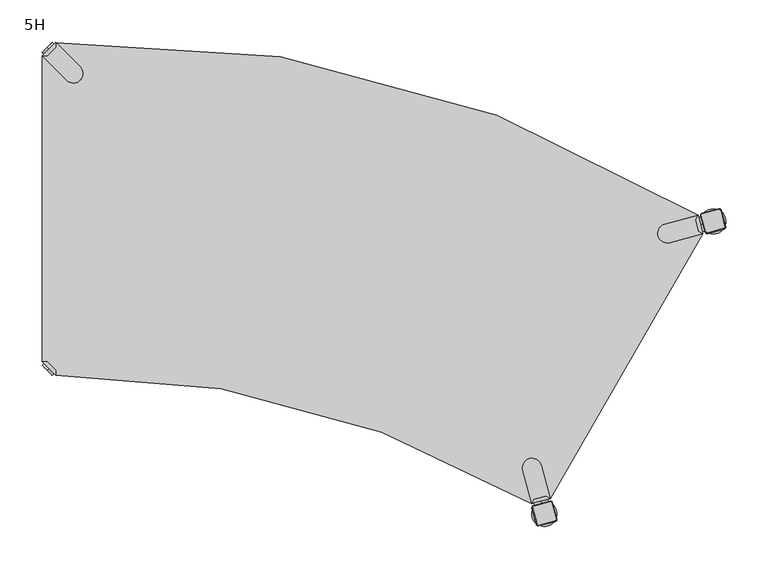
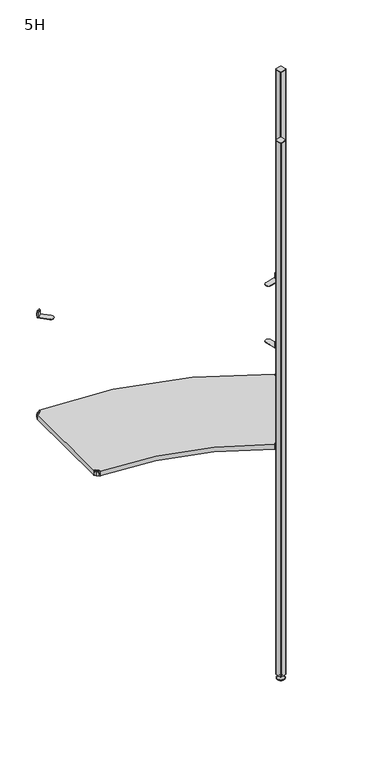
"""IFC4 building model written with IfcOpenShell, lengths in millimetres: furniture geometry, 5H."""

from ifc_helpers import new_model, si_unit, point, frame, frame_2d, origin, place, context, project, spatial, polyline, circle_curve, trimmed, segment, composite_curve, outline, extrude, source, transform, mapped, element, save
from ifc_brep_helpers import plane_surface, cylinder_surface, revolved_surface, advanced_brep


def furniture_5h_41b3b615(model_context):
    return source(origin(), model_context, "Body", "SolidModel", [
        advanced_brep(
        [(784.3869091, -207.1899268, 0.0), (797.3772901, -214.6899268, 0.0), (810.3676712, -222.1899268, 0.0), (784.3869091, -207.1899268, 2.0), (810.3676712, -222.1899268, 2.0), (790.4490869, -210.6899268, 9.0), (804.3054934, -218.6899268, 9.0), (793.9131885, -212.6899268, 9.0), (800.8413918, -216.6899268, 9.0), (793.9131885, -212.6899268, 15.0), (800.8413918, -216.6899268, 15.0), (797.3772901, -214.6899268, 15.0)],
        [
            (0, 1),
            (1, 2),
            (2, 0, circle_curve(frame((797.3772901, -214.6899268, 0.0), z_axis=(0.0, 0.0, -1.0), x_axis=(0.8660254037844367, -0.5000000000000036, 0.0)), 15.0)),
            (0, 2, circle_curve(frame((797.3772901, -214.6899268, 0.0), z_axis=(0.0, 0.0, -1.0), x_axis=(0.8660254037844367, -0.5000000000000036, 0.0)), 15.0)),
            (3, 0),
            (2, 4),
            (4, 3, circle_curve(frame((797.3772901, -214.6899268, 2.0), z_axis=(0.0, 0.0, -1.0), x_axis=(0.8660254037844367, -0.5000000000000036, 0.0)), 15.0)),
            (3, 4, circle_curve(frame((797.3772901, -214.6899268, 2.0), z_axis=(0.0, 0.0, -1.0), x_axis=(0.8660254037844367, -0.5000000000000036, 0.0)), 15.0)),
            (5, 3),
            (4, 6),
            (6, 5, circle_curve(frame((797.3772901, -214.6899268, 9.0), z_axis=(0.0, 0.0, -1.0), x_axis=(0.8660254037844367, -0.5000000000000036, 0.0)), 8.0)),
            (5, 6, circle_curve(frame((797.3772901, -214.6899268, 9.0), z_axis=(0.0, 0.0, -1.0), x_axis=(0.8660254037844367, -0.5000000000000036, 0.0)), 8.0)),
            (7, 5),
            (6, 8),
            (8, 7, circle_curve(frame((797.3772901, -214.6899268, 9.0), z_axis=(0.0, 0.0, -1.0), x_axis=(0.8660254037844367, -0.5000000000000036, 0.0)), 4.0)),
            (7, 8, circle_curve(frame((797.3772901, -214.6899268, 9.0), z_axis=(0.0, 0.0, -1.0), x_axis=(0.8660254037844367, -0.5000000000000036, 0.0)), 4.0)),
            (9, 7),
            (8, 10),
            (10, 9, circle_curve(frame((797.3772901, -214.6899268, 15.0), z_axis=(0.0, 0.0, -1.0), x_axis=(0.8660254037844367, -0.5000000000000036, 0.0)), 4.0)),
            (9, 10, circle_curve(frame((797.3772901, -214.6899268, 15.0), z_axis=(0.0, 0.0, -1.0), x_axis=(0.8660254037844367, -0.5000000000000036, 0.0)), 4.0)),
            (11, 9),
            (10, 11),
        ],
        [
            plane_surface(frame((797.3772901, -214.6899268, 0.0), z_axis=(0.0, 0.0, -1.0000000000000002), x_axis=(0.8660254037844367, -0.5000000000000036, 0.0))),
            cylinder_surface(frame((797.3772901, -214.6899268, 18.6083303), z_axis=(0.0, 0.0, 1.0), x_axis=(0.8660254037844367, -0.5000000000000036, 0.0)), 15.0),
            revolved_surface(polyline([(810.3676712, -222.1899268, 2.0), (804.3054934, -218.6899268, 9.0)]), (797.3772901, -214.6899268, 18.6083303), (0.0, 0.0, 1.0)),
            plane_surface(frame((797.3772901, -214.6899268, 9.0), z_axis=(0.0, 0.0, 1.0000000000000002), x_axis=(0.8660254037844367, -0.5000000000000036, 0.0))),
            cylinder_surface(frame((797.3772901, -214.6899268, 18.6083303), z_axis=(0.0, 0.0, 1.0), x_axis=(0.8660254037844367, -0.5000000000000036, 0.0)), 4.0),
            plane_surface(frame((797.3772901, -214.6899268, 15.0), z_axis=(0.0, 0.0, 1.0000000000000002), x_axis=(0.8660254037844367, -0.5000000000000036, 0.0))),
        ],
        [
            (0, [[1, 2, 3]]),
            (0, [[-2, -1, 4]]),
            (1, [[5, -3, 6, 7]]),
            (1, [[-6, -4, -5, 8]]),
            (2, [[9, -7, 10, 11]]),
            (2, [[-10, -8, -9, 12]]),
            (3, [[13, -11, 14, 15]]),
            (3, [[-14, -12, -13, 16]]),
            (4, [[17, -15, 18, 19]]),
            (4, [[-18, -16, -17, 20]]),
            (5, [[21, -19, 22]]),
            (5, [[-22, -20, -21]]),
        ],
    ),
        advanced_brep(
        [(788.6641484, -227.3773679, 2117.0), (790.7462147, -228.5794494, 2117.0), (810.0647312, -223.4030685, 2117.0), (811.2668128, -221.3210022, 2117.0), (806.0904319, -202.0024857, 2117.0), (804.0083656, -200.8004041, 2117.0), (784.6898491, -205.976785, 2117.0), (783.4877675, -208.0588513, 2117.0), (787.8914078, -227.5844231, 2115.0), (782.7150269, -208.2659066, 2115.0), (784.4827938, -205.2040444, 2115.0), (803.8013103, -200.0276635, 2115.0), (806.8631725, -201.7954304, 2115.0), (812.0395534, -221.113947, 2115.0), (810.2717865, -224.1758091, 2115.0), (790.9532699, -229.35219, 2115.0)],
        [
            (0, 1, circle_curve(frame((790.3062223, -226.9373755, 2117.0), z_axis=(0.0, 0.0, 1.0), x_axis=(0.2588190451025146, -0.9659258262890701, 0.0)), 1.7)),
            (1, 2),
            (2, 3, circle_curve(frame((809.6247389, -221.7609946, 2117.0), z_axis=(0.0, 0.0, 1.0), x_axis=(0.9659258262890662, 0.25881904510252834, 0.0)), 1.7)),
            (3, 4),
            (4, 5, circle_curve(frame((804.448358, -202.4424781, 2117.0), z_axis=(0.0, 0.0, 1.0), x_axis=(-0.2588190451025191, 0.9659258262890689, 0.0)), 1.7)),
            (5, 6),
            (6, 7, circle_curve(frame((785.1298414, -207.618859, 2117.0), z_axis=(0.0, 0.0, 1.0), x_axis=(-0.9659258262890716, -0.25881904510250847, 0.0)), 1.7)),
            (7, 0),
            (8, 9),
            (9, 10, circle_curve(frame((785.1298414, -207.618859, 2115.0), z_axis=(0.0, 0.0, -1.0), x_axis=(-0.9659258262890716, -0.25881904510250847, 0.0)), 2.5)),
            (10, 11),
            (11, 12, circle_curve(frame((804.448358, -202.4424781, 2115.0), z_axis=(0.0, 0.0, -1.0), x_axis=(-0.2588190451025191, 0.9659258262890689, 0.0)), 2.5)),
            (12, 13),
            (13, 14, circle_curve(frame((809.6247389, -221.7609946, 2115.0), z_axis=(0.0, 0.0, -1.0), x_axis=(0.9659258262890662, 0.25881904510252834, 0.0)), 2.5)),
            (14, 15),
            (15, 8, circle_curve(frame((790.3062223, -226.9373755, 2115.0), z_axis=(0.0, 0.0, -1.0), x_axis=(0.2588190451025146, -0.9659258262890701, 0.0)), 2.5)),
            (8, 0),
            (7, 9),
            (6, 10),
            (5, 11),
            (4, 12),
            (3, 13),
            (2, 14),
            (1, 15),
        ],
        [
            plane_surface(frame((797.3772901, -214.6899268, 2117.0), z_axis=(0.0, 0.0, 1.0000000000000002), x_axis=(-0.9659258262890698, -0.2588190451025156, 0.0))),
            plane_surface(frame((797.3772901, -214.6899268, 2115.0), z_axis=(0.0, 0.0, -1.0000000000000002), x_axis=(-0.9659258262890698, -0.2588190451025156, 0.0))),
            plane_surface(frame((785.3032173, -217.9251648, 2115.0), z_axis=(-0.8968396148335165, -0.24030745053486685, 0.37139067635402817), x_axis=(-0.2588190451025077, 0.965925826289072, 0.0))),
            revolved_surface(polyline([(783.48776754, -208.05885136799998, 2117.0), (782.7150269, -208.2659066, 2115.0)]), (785.1298414, -207.618859, 2121.25), (0.0, 0.0, -1.0)),
            plane_surface(frame((794.1420521, -202.6158539, 2115.0), z_axis=(-0.24030745053487026, 0.8968396148335195, 0.3713906763540188), x_axis=(0.9659258262890711, 0.2588190451025103, 0.0))),
            revolved_surface(polyline([(804.008365564, -200.800404172, 2117.0), (803.8013103, -200.0276635, 2115.0)]), (804.448358, -202.4424781, 2121.25), (0.0, 0.0, -1.0)),
            plane_surface(frame((809.451363, -211.4546887, 2115.0), z_axis=(0.8968396148335325, 0.24030745053488403, 0.37139067635397877), x_axis=(0.2588190451025259, -0.9659258262890671, 0.0))),
            revolved_surface(polyline([(811.26681276, -221.321002232, 2117.0), (812.0395534, -221.113947, 2115.0)]), (809.6247389, -221.7609946, 2121.25), (0.0, 0.0, -1.0)),
            plane_surface(frame((800.6125282, -226.7639996, 2115.0), z_axis=(0.24030745053489366, -0.8968396148335281, 0.37139067635398293), x_axis=(-0.965925826289067, -0.2588190451025263, 0.0))),
            revolved_surface(polyline([(790.746214668, -228.57944936, 2117.0), (790.9532699, -229.35219, 2115.0)]), (790.3062223, -226.9373755, 2121.25), (0.0, 0.0, -1.0)),
        ],
        [
            (0, [[1, 2, 3, 4, 5, 6, 7, 8]]),
            (1, [[9, 10, 11, 12, 13, 14, 15, 16]]),
            (2, [[17, -8, 18, -9]]),
            (3, [[-18, -7, 19, -10]]),
            (4, [[-19, -6, 20, -11]]),
            (5, [[-20, -5, 21, -12]]),
            (6, [[-21, -4, 22, -13]]),
            (7, [[-22, -3, 23, -14]]),
            (8, [[-23, -2, 24, -15]]),
            (9, [[-24, -1, -17, -16]]),
        ],
    ),
        extrude(outline(composite_curve([segment(polyline([(810.2717865, -224.1758091), (790.9532699, -229.35219)]), True, "CONTINUOUS"), segment(trimmed(circle_curve(frame_2d((790.3062223, -226.9373755)), 2.5), [point((790.9532699, -229.35219))], [point((787.8914078, -227.5844231))], False, "CARTESIAN"), True, "CONTINUOUS"), segment(polyline([(787.8914078, -227.5844231), (782.7150269, -208.2659066)]), True, "CONTINUOUS"), segment(trimmed(circle_curve(frame_2d((785.1298414, -207.618859)), 2.5), [point((782.7150269, -208.2659066))], [point((784.4827938, -205.2040444))], False, "CARTESIAN"), True, "CONTINUOUS"), segment(polyline([(784.4827938, -205.2040444), (803.8013103, -200.0276635)]), True, "CONTINUOUS"), segment(trimmed(circle_curve(frame_2d((804.448358, -202.4424781)), 2.5), [point((803.8013103, -200.0276635))], [point((806.8631725, -201.7954304))], False, "CARTESIAN"), True, "CONTINUOUS"), segment(polyline([(806.8631725, -201.7954304), (812.0395534, -221.113947)]), True, "CONTINUOUS"), segment(trimmed(circle_curve(frame_2d((809.6247389, -221.7609946)), 2.5), [point((812.0395534, -221.113947))], [point((810.2717865, -224.1758091))], False, "CARTESIAN"), True, "CONTINUOUS")], self_intersect=False)), frame((0.0, 0.0, 15.0), z_axis=(0.0, 0.0, 1.0), x_axis=(1.0, 0.0, 0.0)), (0.0, 0.0, 1.0), 2100.0),
        advanced_brep(
        [(584.4679145, -553.4597829, 0.0), (610.4486766, -568.4597829, 0.0), (597.4582955, -560.9597829, 0.0), (584.4679145, -553.4597829, 2.0), (610.4486766, -568.4597829, 2.0), (590.5300923, -556.9597829, 9.0), (604.3864987, -564.9597829, 9.0), (593.9941939, -558.9597829, 9.0), (600.9223971, -562.9597829, 9.0), (593.9941939, -558.9597829, 15.0), (600.9223971, -562.9597829, 15.0), (597.4582955, -560.9597829, 15.0)],
        [
            (0, 1, circle_curve(frame((597.4582955, -560.9597829, 0.0), z_axis=(0.0, 0.0, -1.0), x_axis=(0.8660254037844407, -0.49999999999999645, 0.0)), 15.0)),
            (1, 2),
            (2, 0),
            (1, 0, circle_curve(frame((597.4582955, -560.9597829, 0.0), z_axis=(0.0, 0.0, -1.0), x_axis=(0.8660254037844407, -0.49999999999999645, 0.0)), 15.0)),
            (3, 4, circle_curve(frame((597.4582955, -560.9597829, 2.0), z_axis=(0.0, 0.0, -1.0), x_axis=(0.8660254037844407, -0.49999999999999645, 0.0)), 15.0)),
            (4, 1),
            (0, 3),
            (4, 3, circle_curve(frame((597.4582955, -560.9597829, 2.0), z_axis=(0.0, 0.0, -1.0), x_axis=(0.8660254037844407, -0.49999999999999645, 0.0)), 15.0)),
            (5, 6, circle_curve(frame((597.4582955, -560.9597829, 9.0), z_axis=(0.0, 0.0, -1.0), x_axis=(0.8660254037844407, -0.49999999999999645, 0.0)), 8.0)),
            (6, 4),
            (3, 5),
            (6, 5, circle_curve(frame((597.4582955, -560.9597829, 9.0), z_axis=(0.0, 0.0, -1.0), x_axis=(0.8660254037844407, -0.49999999999999645, 0.0)), 8.0)),
            (7, 8, circle_curve(frame((597.4582955, -560.9597829, 9.0), z_axis=(0.0, 0.0, -1.0), x_axis=(0.8660254037844407, -0.49999999999999645, 0.0)), 4.0)),
            (8, 6),
            (5, 7),
            (8, 7, circle_curve(frame((597.4582955, -560.9597829, 9.0), z_axis=(0.0, 0.0, -1.0), x_axis=(0.8660254037844407, -0.49999999999999645, 0.0)), 4.0)),
            (9, 10, circle_curve(frame((597.4582955, -560.9597829, 15.0), z_axis=(0.0, 0.0, -1.0), x_axis=(0.8660254037844407, -0.49999999999999645, 0.0)), 4.0)),
            (10, 8),
            (7, 9),
            (10, 9, circle_curve(frame((597.4582955, -560.9597829, 15.0), z_axis=(0.0, 0.0, -1.0), x_axis=(0.8660254037844407, -0.49999999999999645, 0.0)), 4.0)),
            (11, 10),
            (9, 11),
        ],
        [
            plane_surface(frame((597.4582955, -560.9597829, 0.0), z_axis=(0.0, 0.0, -1.0), x_axis=(0.8660254037844407, -0.49999999999999645, 0.0))),
            cylinder_surface(frame((597.4582955, -560.9597829, 18.6083303), z_axis=(0.0, 0.0, 1.0), x_axis=(0.8660254037844407, -0.49999999999999645, 0.0)), 15.0),
            revolved_surface(polyline([(610.4486766, -568.4597829, 2.0), (604.3864987, -564.9597829, 9.0)]), (597.4582955, -560.9597829, 18.6083303), (0.0, 0.0, 1.0)),
            plane_surface(frame((597.4582955, -560.9597829, 9.0), z_axis=(0.0, 0.0, 1.0), x_axis=(0.8660254037844407, -0.49999999999999645, 0.0))),
            cylinder_surface(frame((597.4582955, -560.9597829, 18.6083303), z_axis=(0.0, 0.0, 1.0), x_axis=(0.8660254037844407, -0.49999999999999645, 0.0)), 4.0),
            plane_surface(frame((597.4582955, -560.9597829, 15.0), z_axis=(0.0, 0.0, 1.0), x_axis=(0.8660254037844407, -0.49999999999999645, 0.0))),
        ],
        [
            (0, [[1, 2, 3]]),
            (0, [[4, -3, -2]]),
            (1, [[5, 6, -1, 7]]),
            (1, [[8, -7, -4, -6]]),
            (2, [[9, 10, -5, 11]]),
            (2, [[12, -11, -8, -10]]),
            (3, [[13, 14, -9, 15]]),
            (3, [[16, -15, -12, -14]]),
            (4, [[17, 18, -13, 19]]),
            (4, [[20, -19, -16, -18]]),
            (5, [[21, -17, 22]]),
            (5, [[-22, -20, -21]]),
        ],
    ),
        advanced_brep(
        [(604.0893709, -547.0702603, 2117.0), (584.7708544, -552.2466412, 2117.0), (583.5687729, -554.3287074, 2117.0), (588.7451538, -573.647224, 2117.0), (590.8272201, -574.8493055, 2117.0), (610.1457366, -569.6729246, 2117.0), (611.3478181, -567.5908583, 2117.0), (606.1714372, -548.2723418, 2117.0), (603.8823157, -546.2975196, 2115.0), (606.9441779, -548.0652865, 2115.0), (612.1205588, -567.3838031, 2115.0), (610.3527918, -570.4456652, 2115.0), (591.0342753, -575.6220462, 2115.0), (587.9724131, -573.8542792, 2115.0), (582.7960322, -554.5357627, 2115.0), (584.5637992, -551.4739005, 2115.0)],
        [
            (0, 1),
            (1, 2, circle_curve(frame((585.2108468, -553.8887151, 2117.0), z_axis=(0.0, 0.0, 1.0), x_axis=(-0.2588190451025332, 0.9659258262890649, 0.0)), 1.7)),
            (2, 3),
            (3, 4, circle_curve(frame((590.3872277, -573.2072316, 2117.0), z_axis=(0.0, 0.0, 1.0), x_axis=(-0.9659258262890679, -0.2588190451025226, 0.0)), 1.7)),
            (4, 5),
            (5, 6, circle_curve(frame((609.7057442, -568.0308507, 2117.0), z_axis=(0.0, 0.0, 1.0), x_axis=(0.25881904510251313, -0.9659258262890702, 0.0)), 1.7)),
            (6, 7),
            (7, 0, circle_curve(frame((604.5293633, -548.7123342, 2117.0), z_axis=(0.0, 0.0, 1.0), x_axis=(0.9659258262890666, 0.25881904510252707, 0.0)), 1.7)),
            (8, 9, circle_curve(frame((604.5293633, -548.7123342, 2115.0), z_axis=(0.0, 0.0, -1.0), x_axis=(0.9659258262890666, 0.25881904510252707, 0.0)), 2.5)),
            (9, 10),
            (10, 11, circle_curve(frame((609.7057442, -568.0308507, 2115.0), z_axis=(0.0, 0.0, -1.0), x_axis=(0.25881904510251313, -0.9659258262890702, 0.0)), 2.5)),
            (11, 12),
            (12, 13, circle_curve(frame((590.3872277, -573.2072316, 2115.0), z_axis=(0.0, 0.0, -1.0), x_axis=(-0.9659258262890679, -0.2588190451025226, 0.0)), 2.5)),
            (13, 14),
            (14, 15, circle_curve(frame((585.2108468, -553.8887151, 2115.0), z_axis=(0.0, 0.0, -1.0), x_axis=(-0.2588190451025332, 0.9659258262890649, 0.0)), 2.5)),
            (15, 8),
            (15, 1),
            (0, 8),
            (14, 2),
            (13, 3),
            (12, 4),
            (11, 5),
            (10, 6),
            (9, 7),
        ],
        [
            plane_surface(frame((597.4582955, -560.9597829, 2117.0), z_axis=(0.0, 0.0, 1.0), x_axis=(-0.2588190451025261, 0.9659258262890669, 0.0))),
            plane_surface(frame((597.4582955, -560.9597829, 2115.0), z_axis=(0.0, 0.0, -1.0), x_axis=(-0.2588190451025261, 0.9659258262890669, 0.0))),
            plane_surface(frame((594.2230575, -548.88571, 2115.0), z_axis=(-0.24030745053489133, 0.8968396148335102, 0.3713906763540281), x_axis=(-0.9659258262890649, -0.258819045102534, 0.0))),
            revolved_surface(polyline([(584.770854432, -552.2466411720001, 2117.0), (584.5637992, -551.4739005, 2115.0)]), (585.2108468, -553.8887151, 2121.25), (0.0, 0.0, -1.0)),
            plane_surface(frame((585.3842227, -564.1950209, 2115.0), z_axis=(-0.8968396148335143, -0.2403074505348897, 0.37139067635401873), x_axis=(0.25881904510253123, -0.9659258262890655, 0.0))),
            revolved_surface(polyline([(588.7451537720001, -573.6472239679999, 2117.0), (587.9724131, -573.8542792, 2115.0)]), (590.3872277, -573.2072316, 2121.25), (0.0, 0.0, -1.0)),
            plane_surface(frame((600.6935336, -573.0338557, 2115.0), z_axis=(0.24030745053488436, -0.8968396148335324, 0.3713906763539787), x_axis=(0.9659258262890698, 0.2588190451025158, 0.0))),
            revolved_surface(polyline([(610.145736568, -569.67292456, 2117.0), (610.3527918, -570.4456652, 2115.0)]), (609.7057442, -568.0308507, 2121.25), (0.0, 0.0, -1.0)),
            plane_surface(frame((609.5323683, -557.7245448, 2115.0), z_axis=(0.8968396148335335, 0.24030745053487376, 0.37139067635398293), x_axis=(-0.2588190451025153, 0.9659258262890699, 0.0))),
            revolved_surface(polyline([(606.171437228, -548.272341764, 2117.0), (606.9441779, -548.0652865, 2115.0)]), (604.5293633, -548.7123342, 2121.25), (0.0, 0.0, -1.0)),
        ],
        [
            (0, [[1, 2, 3, 4, 5, 6, 7, 8]]),
            (1, [[9, 10, 11, 12, 13, 14, 15, 16]]),
            (2, [[-16, 17, -1, 18]]),
            (3, [[-15, 19, -2, -17]]),
            (4, [[-14, 20, -3, -19]]),
            (5, [[-13, 21, -4, -20]]),
            (6, [[-12, 22, -5, -21]]),
            (7, [[-11, 23, -6, -22]]),
            (8, [[-10, 24, -7, -23]]),
            (9, [[-9, -18, -8, -24]]),
        ],
    ),
        extrude(outline(composite_curve([segment(trimmed(circle_curve(frame_2d((609.7057442, -568.0308507)), 2.5), [point((612.1205588, -567.3838031))], [point((610.3527918, -570.4456652))], False, "CARTESIAN"), True, "CONTINUOUS"), segment(polyline([(610.3527918, -570.4456652), (591.0342753, -575.6220462)]), True, "CONTINUOUS"), segment(trimmed(circle_curve(frame_2d((590.3872277, -573.2072316)), 2.5), [point((591.0342753, -575.6220462))], [point((587.9724131, -573.8542792))], False, "CARTESIAN"), True, "CONTINUOUS"), segment(polyline([(587.9724131, -573.8542792), (582.7960322, -554.5357627)]), True, "CONTINUOUS"), segment(trimmed(circle_curve(frame_2d((585.2108468, -553.8887151)), 2.5), [point((582.7960322, -554.5357627))], [point((584.5637992, -551.4739005))], False, "CARTESIAN"), True, "CONTINUOUS"), segment(polyline([(584.5637992, -551.4739005), (603.8823157, -546.2975196)]), True, "CONTINUOUS"), segment(trimmed(circle_curve(frame_2d((604.5293633, -548.7123342)), 2.5), [point((603.8823157, -546.2975196))], [point((606.9441779, -548.0652865))], False, "CARTESIAN"), True, "CONTINUOUS"), segment(polyline([(606.9441779, -548.0652865), (612.1205588, -567.3838031)]), True, "CONTINUOUS")], self_intersect=False)), frame((0.0, 0.0, 15.0), z_axis=(0.0, 0.0, 1.0), x_axis=(1.0, 0.0, 0.0)), (0.0, 0.0, 1.0), 2100.0),
        advanced_brep(
        [(10.9601551, -10.9601551, 898.5), (10.9601551, -10.9601551, 915.5), (10.9601551, -10.9601551, 907.0), (8.8388348, -8.8388348, 898.5), (8.8388348, -8.8388348, 915.5), (8.8388348, -8.8388348, 907.0)],
        [
            (0, 1, circle_curve(frame((10.9601551, -10.9601551, 907.0), z_axis=(0.7071067811865465, -0.7071067811865486, 0.0), x_axis=(0.0, 0.0, 1.0)), 8.5)),
            (1, 2),
            (2, 0),
            (1, 0, circle_curve(frame((10.9601551, -10.9601551, 907.0), z_axis=(0.7071067811865465, -0.7071067811865486, 0.0), x_axis=(0.0, 0.0, 1.0)), 8.5)),
            (3, 4, circle_curve(frame((8.8388348, -8.8388348, 907.0), z_axis=(0.7071067811865465, -0.7071067811865486, 0.0), x_axis=(0.0, 0.0, 1.0)), 8.5)),
            (4, 1),
            (0, 3),
            (4, 3, circle_curve(frame((8.8388348, -8.8388348, 907.0), z_axis=(0.7071067811865465, -0.7071067811865486, 0.0), x_axis=(0.0, 0.0, 1.0)), 8.5)),
            (5, 4),
            (3, 5),
        ],
        [
            plane_surface(frame((10.9601551, -10.9601551, 907.0), z_axis=(0.7071067811865461, -0.707106781186549, 0.0), x_axis=(0.0, 0.0, 1.0))),
            cylinder_surface(frame((8.8388348, -8.8388348, 907.0), z_axis=(-0.7071067811865465, 0.7071067811865486, 0.0), x_axis=(0.0, 0.0, 1.0)), 8.5),
            plane_surface(frame((8.8388348, -8.8388348, 907.0), z_axis=(-0.7071067811865461, 0.707106781186549, 0.0), x_axis=(0.0, 0.0, 1.0))),
        ],
        [
            (0, [[1, 2, 3]]),
            (0, [[4, -3, -2]]),
            (1, [[5, 6, -1, 7]]),
            (1, [[8, -7, -4, -6]]),
            (2, [[9, -5, 10]]),
            (2, [[-10, -8, -9]]),
        ],
    ),
        advanced_brep(
        [(18.9203102, -3.0, 917.0), (3.0, -18.9203102, 917.0), (8.6568542, -18.9203102, 917.0), (18.9203102, -8.6568542, 917.0), (18.9203102, -3.0, 898.0), (18.9203102, -3.0, 897.0), (3.0, -18.9203102, 897.0), (3.0, -18.9203102, 898.0), (8.6568542, -18.9203102, 898.0), (18.9203102, -8.6568542, 898.0), (31.8093975, -47.7297077, 898.0), (47.7297077, -31.8093975, 898.0), (47.7297077, -31.8093975, 897.0), (31.8093975, -47.7297077, 897.0)],
        [
            (0, 1),
            (1, 2),
            (2, 3),
            (3, 0),
            (0, 4),
            (4, 5),
            (5, 6),
            (6, 7),
            (7, 1),
            (2, 8),
            (8, 9),
            (9, 3),
            (9, 4),
            (7, 8),
            (7, 10),
            (10, 11, circle_curve(frame((39.7695526, -39.7695526, 898.0), z_axis=(0.0, 0.0, 1.0), x_axis=(1.0, 0.0, 0.0)), 11.2573593)),
            (11, 4),
            (5, 12),
            (12, 13, circle_curve(frame((39.7695526, -39.7695526, 897.0), z_axis=(0.0, 0.0, -1.0), x_axis=(1.0, 0.0, 0.0)), 11.2573593)),
            (13, 6),
            (13, 10),
            (12, 11),
        ],
        [
            plane_surface(frame((-38.8756299, -60.7959401, 917.0), z_axis=(0.0, 0.0, 1.0), x_axis=(-0.7071067811865556, -0.7071067811865396, 0.0))),
            plane_surface(frame((18.9203102, -3.0, 917.0), z_axis=(-0.7071067811865396, 0.7071067811865556, 0.0), x_axis=(0.0, 0.0, -1.0))),
            plane_surface(frame((8.6568542, -18.9203102, 917.0), z_axis=(0.7071067811865482, -0.7071067811865468, 0.0), x_axis=(0.0, 0.0, -1.0))),
            plane_surface(frame((18.9203102, -8.6568542, 917.0), z_axis=(1.0, 0.0, 0.0), x_axis=(0.0, 0.0, -1.0))),
            plane_surface(frame((3.0, -18.9203102, 917.0), z_axis=(0.0, -1.0, 0.0), x_axis=(0.0, 0.0, -1.0))),
            plane_surface(frame((3.0, -18.9203102, 898.0), z_axis=(0.0, 0.0, 1.0), x_axis=(-0.7071067811865483, -0.7071067811865467, 0.0))),
            plane_surface(frame((3.0, -18.9203102, 897.0), z_axis=(0.0, 0.0, -1.0), x_axis=(0.7071067811865483, 0.7071067811865467, 0.0))),
            plane_surface(frame((3.0, -18.9203102, 898.0), z_axis=(-0.707106781186549, -0.7071067811865461, 0.0), x_axis=(0.0, 0.0, -1.0))),
            cylinder_surface(frame((39.7695526, -39.7695526, 897.0), z_axis=(0.0, 0.0, 1.0), x_axis=(1.0, 0.0, 0.0)), 11.2573593),
            plane_surface(frame((47.7297077, -31.8093975, 898.0), z_axis=(0.7071067811865479, 0.7071067811865472, 0.0), x_axis=(0.0, 0.0, -1.0))),
        ],
        [
            (0, [[1, 2, 3, 4]]),
            (1, [[-1, 5, 6, 7, 8, 9]]),
            (2, [[-3, 10, 11, 12]]),
            (3, [[-4, -12, 13, -5]]),
            (4, [[-2, -9, 14, -10]]),
            (5, [[15, 16, 17, -13, -11, -14]]),
            (6, [[18, 19, 20, -7]]),
            (7, [[-15, -8, -20, 21]]),
            (8, [[-16, -21, -19, 22]]),
            (9, [[-17, -22, -18, -6]]),
        ],
    ),
        advanced_brep(
        [(782.3720337, -218.6097147, 898.5), (782.3720337, -218.6097147, 907.0), (782.3720337, -218.6097147, 915.5), (785.2698111, -217.8332576, 898.5), (785.2698111, -217.8332576, 915.5), (785.2698111, -217.8332576, 907.0)],
        [
            (0, 1),
            (1, 2),
            (2, 0, circle_curve(frame((782.3720337, -218.6097147, 907.0), z_axis=(-0.9659258262890685, -0.25881904510252, 0.0), x_axis=(0.0, 0.0, 1.0)), 8.5)),
            (0, 2, circle_curve(frame((782.3720337, -218.6097147, 907.0), z_axis=(-0.9659258262890685, -0.25881904510252, 0.0), x_axis=(0.0, 0.0, 1.0)), 8.5)),
            (3, 0),
            (2, 4),
            (4, 3, circle_curve(frame((785.2698111, -217.8332576, 907.0), z_axis=(-0.9659258262890685, -0.25881904510252, 0.0), x_axis=(0.0, 0.0, 1.0)), 8.5)),
            (3, 4, circle_curve(frame((785.2698111, -217.8332576, 907.0), z_axis=(-0.9659258262890685, -0.25881904510252, 0.0), x_axis=(0.0, 0.0, 1.0)), 8.5)),
            (5, 3),
            (4, 5),
        ],
        [
            plane_surface(frame((782.3720337, -218.6097147, 907.0), z_axis=(-0.9659258262890684, -0.25881904510252063, 0.0), x_axis=(0.0, 0.0, 1.0))),
            cylinder_surface(frame((785.2698111, -217.8332576, 907.0), z_axis=(0.9659258262890685, 0.25881904510252, 0.0), x_axis=(0.0, 0.0, 1.0)), 8.5),
            plane_surface(frame((785.2698111, -217.8332576, 907.0), z_axis=(0.9659258262890684, 0.25881904510252063, 0.0), x_axis=(0.0, 0.0, 1.0))),
        ],
        [
            (0, [[1, 2, 3]]),
            (0, [[-2, -1, 4]]),
            (1, [[5, -3, 6, 7]]),
            (1, [[-6, -4, -5, 8]]),
            (2, [[9, -7, 10]]),
            (2, [[-10, -8, -9]]),
        ],
    ),
        advanced_brep(
        [(779.4584147, -207.7359406, 917.0), (776.6299875, -212.6349201, 917.0), (780.3866732, -226.6550617, 917.0), (785.2856526, -229.4834888, 917.0), (785.2856526, -229.4834888, 898.0), (785.2856526, -229.4834888, 897.0), (779.4584147, -207.7359406, 897.0), (779.4584147, -207.7359406, 898.0), (776.6299875, -212.6349201, 898.0), (780.3866732, -226.6550617, 898.0), (740.1040458, -218.280912, 898.0), (745.9312838, -240.0284602, 898.0), (745.9312838, -240.0284602, 897.0), (740.1040458, -218.280912, 897.0)],
        [
            (0, 1),
            (1, 2),
            (2, 3),
            (3, 0),
            (3, 4),
            (4, 5),
            (5, 6),
            (6, 7),
            (7, 0),
            (1, 8),
            (8, 9),
            (9, 2),
            (7, 8),
            (9, 4),
            (7, 10),
            (10, 11, circle_curve(frame((743.0176648, -229.1546861, 898.0), z_axis=(0.0, 0.0, 1.0), x_axis=(-0.8660254037844375, 0.5000000000000021, 0.0)), 11.2573593)),
            (11, 4),
            (5, 12),
            (12, 13, circle_curve(frame((743.0176648, -229.1546861, 897.0), z_axis=(0.0, 0.0, -1.0), x_axis=(-0.8660254037844375, 0.5000000000000021, 0.0)), 11.2573593)),
            (13, 6),
            (11, 12),
            (10, 13),
        ],
        [
            plane_surface(frame((800.613197, -286.6866631, 917.0), z_axis=(0.0, 0.0, 1.0), x_axis=(0.25881904510252957, -0.965925826289066, 0.0))),
            plane_surface(frame((779.4584147, -207.7359406, 917.0), z_axis=(0.965925826289066, 0.25881904510252957, 0.0), x_axis=(0.0, 0.0, -1.0))),
            plane_surface(frame((780.3866732, -226.6550617, 917.0), z_axis=(-0.9659258262890692, -0.2588190451025176, 0.0), x_axis=(0.0, 0.0, -1.0))),
            plane_surface(frame((776.6299875, -212.6349201, 917.0), z_axis=(-0.866025403784462, 0.4999999999999597, 0.0), x_axis=(0.0, 0.0, -1.0))),
            plane_surface(frame((785.2856526, -229.4834888, 917.0), z_axis=(-0.4999999999999963, -0.8660254037844408, 0.0), x_axis=(0.0, 0.0, -1.0))),
            plane_surface(frame((785.2856526, -229.4834888, 898.0), z_axis=(0.0, 0.0, 1.0), x_axis=(0.2588190451025197, -0.9659258262890686, 0.0))),
            plane_surface(frame((785.2856526, -229.4834888, 897.0), z_axis=(0.0, 0.0, -1.0), x_axis=(-0.2588190451025197, 0.9659258262890686, 0.0))),
            plane_surface(frame((785.2856526, -229.4834888, 898.0), z_axis=(0.25881904510252063, -0.9659258262890684, 0.0), x_axis=(0.0, 0.0, -1.0))),
            cylinder_surface(frame((743.0176648, -229.1546861, 897.0), z_axis=(0.0, 0.0, 1.0), x_axis=(-0.8660254037844375, 0.5000000000000021, 0.0)), 11.2573593),
            plane_surface(frame((740.1040458, -218.280912, 898.0), z_axis=(-0.2588190451025191, 0.9659258262890689, 0.0), x_axis=(0.0, 0.0, -1.0))),
        ],
        [
            (0, [[1, 2, 3, 4]]),
            (1, [[5, 6, 7, 8, 9, -4]]),
            (2, [[10, 11, 12, -2]]),
            (3, [[-9, 13, -10, -1]]),
            (4, [[-12, 14, -5, -3]]),
            (5, [[-14, -11, -13, 15, 16, 17]]),
            (6, [[-7, 18, 19, 20]]),
            (7, [[21, -18, -6, -17]]),
            (8, [[22, -19, -21, -16]]),
            (9, [[-8, -20, -22, -15]]),
        ],
    ),
        advanced_brep(
        [(593.3443065, -546.0153421, 898.5), (593.3443065, -546.0153421, 915.5), (593.3443065, -546.0153421, 907.0), (594.1207637, -548.9131196, 898.5), (594.1207637, -548.9131196, 915.5), (594.1207637, -548.9131196, 907.0)],
        [
            (0, 1, circle_curve(frame((593.3443065, -546.0153421, 907.0), z_axis=(-0.25881904510252524, 0.9659258262890672, 0.0), x_axis=(0.0, 0.0, 1.0)), 8.5)),
            (1, 2),
            (2, 0),
            (1, 0, circle_curve(frame((593.3443065, -546.0153421, 907.0), z_axis=(-0.25881904510252524, 0.9659258262890672, 0.0), x_axis=(0.0, 0.0, 1.0)), 8.5)),
            (3, 4, circle_curve(frame((594.1207637, -548.9131196, 907.0), z_axis=(-0.25881904510252524, 0.9659258262890672, 0.0), x_axis=(0.0, 0.0, 1.0)), 8.5)),
            (4, 1),
            (0, 3),
            (4, 3, circle_curve(frame((594.1207637, -548.9131196, 907.0), z_axis=(-0.25881904510252524, 0.9659258262890672, 0.0), x_axis=(0.0, 0.0, 1.0)), 8.5)),
            (5, 4),
            (3, 5),
        ],
        [
            plane_surface(frame((593.3443065, -546.0153421, 907.0), z_axis=(-0.2588190451025247, 0.9659258262890673, 0.0), x_axis=(0.0, 0.0, 1.0))),
            cylinder_surface(frame((594.1207637, -548.9131196, 907.0), z_axis=(0.25881904510252524, -0.9659258262890672, 0.0), x_axis=(0.0, 0.0, 1.0)), 8.5),
            plane_surface(frame((594.1207637, -548.9131196, 907.0), z_axis=(0.2588190451025247, -0.9659258262890673, 0.0), x_axis=(0.0, 0.0, 1.0))),
        ],
        [
            (0, [[1, 2, 3]]),
            (0, [[4, -3, -2]]),
            (1, [[5, 6, -1, 7]]),
            (1, [[8, -7, -4, -6]]),
            (2, [[9, -5, 10]]),
            (2, [[-10, -8, -9]]),
        ],
    ),
        advanced_brep(
        [(582.4705324, -548.9289611, 917.0), (604.2180806, -543.1017231, 917.0), (599.3191011, -540.273296, 917.0), (585.2989596, -544.0299816, 917.0), (582.4705324, -548.9289611, 898.0), (582.4705324, -548.9289611, 897.0), (604.2180806, -543.1017231, 897.0), (604.2180806, -543.1017231, 898.0), (599.3191011, -540.273296, 898.0), (585.2989596, -544.0299816, 898.0), (593.6731093, -503.7473542, 898.0), (571.9255611, -509.5745922, 898.0), (571.9255611, -509.5745922, 897.0), (593.6731093, -503.7473542, 897.0)],
        [
            (0, 1),
            (1, 2),
            (2, 3),
            (3, 0),
            (0, 4),
            (4, 5),
            (5, 6),
            (6, 7),
            (7, 1),
            (2, 8),
            (8, 9),
            (9, 3),
            (9, 4),
            (7, 8),
            (7, 10),
            (10, 11, circle_curve(frame((582.7993352, -506.6609732, 898.0), z_axis=(0.0, 0.0, 1.0), x_axis=(-0.8660254037844418, 0.49999999999999467, 0.0)), 11.2573593)),
            (11, 4),
            (5, 12),
            (12, 13, circle_curve(frame((582.7993352, -506.6609732, 897.0), z_axis=(0.0, 0.0, -1.0), x_axis=(-0.8660254037844418, 0.49999999999999467, 0.0)), 11.2573593)),
            (13, 6),
            (13, 10),
            (12, 11),
        ],
        [
            plane_surface(frame((661.4212549, -527.7741788, 917.0), z_axis=(0.0, 0.0, 1.0000000000000002), x_axis=(0.9659258262890698, 0.25881904510251574, 0.0))),
            plane_surface(frame((582.4705324, -548.9289611, 917.0), z_axis=(0.25881904510251574, -0.9659258262890698, 0.0), x_axis=(0.0, 0.0, -1.0))),
            plane_surface(frame((599.3191011, -540.273296, 917.0), z_axis=(-0.25881904510252757, 0.9659258262890665, 0.0), x_axis=(0.0, 0.0, -1.0))),
            plane_surface(frame((585.2989596, -544.0299816, 917.0), z_axis=(-0.8660254037844173, 0.5000000000000371, 0.0), x_axis=(0.0, 0.0, -1.0))),
            plane_surface(frame((604.2180806, -543.1017231, 917.0), z_axis=(0.5000000000000004, 0.8660254037844385, 0.0), x_axis=(0.0, 0.0, -1.0))),
            plane_surface(frame((604.2180806, -543.1017231, 898.0), z_axis=(0.0, 0.0, 1.0), x_axis=(0.9659258262890671, 0.25881904510252546, 0.0))),
            plane_surface(frame((604.2180806, -543.1017231, 897.0), z_axis=(0.0, 0.0, -1.0), x_axis=(-0.9659258262890671, -0.25881904510252546, 0.0))),
            plane_surface(frame((604.2180806, -543.1017231, 898.0), z_axis=(0.9659258262890673, 0.2588190451025247, 0.0), x_axis=(0.0, 0.0, -1.0))),
            cylinder_surface(frame((582.7993352, -506.6609732, 897.0), z_axis=(0.0, 0.0, 1.0), x_axis=(-0.8660254037844418, 0.49999999999999467, 0.0)), 11.2573593),
            plane_surface(frame((571.9255611, -509.5745922, 898.0), z_axis=(-0.9659258262890669, -0.2588190451025262, 0.0), x_axis=(0.0, 0.0, -1.0))),
        ],
        [
            (0, [[1, 2, 3, 4]]),
            (1, [[-1, 5, 6, 7, 8, 9]]),
            (2, [[-3, 10, 11, 12]]),
            (3, [[-4, -12, 13, -5]]),
            (4, [[-2, -9, 14, -10]]),
            (5, [[15, 16, 17, -13, -11, -14]]),
            (6, [[18, 19, 20, -7]]),
            (7, [[-15, -8, -20, 21]]),
            (8, [[-16, -21, -19, 22]]),
            (9, [[-17, -22, -18, -6]]),
        ],
    ),
        advanced_brep(
        [(10.9601551, -389.0398449, 898.5), (10.9601551, -389.0398449, 907.0), (10.9601551, -389.0398449, 915.5), (8.8388348, -391.1611652, 898.5), (8.8388348, -391.1611652, 915.5), (8.8388348, -391.1611652, 907.0)],
        [
            (0, 1),
            (1, 2),
            (2, 0, circle_curve(frame((10.9601551, -389.0398449, 907.0), z_axis=(0.7071067811865509, 0.7071067811865441, 0.0), x_axis=(0.0, 0.0, 1.0)), 8.5)),
            (0, 2, circle_curve(frame((10.9601551, -389.0398449, 907.0), z_axis=(0.7071067811865509, 0.7071067811865441, 0.0), x_axis=(0.0, 0.0, 1.0)), 8.5)),
            (3, 0),
            (2, 4),
            (4, 3, circle_curve(frame((8.8388348, -391.1611652, 907.0), z_axis=(0.7071067811865509, 0.7071067811865441, 0.0), x_axis=(0.0, 0.0, 1.0)), 8.5)),
            (3, 4, circle_curve(frame((8.8388348, -391.1611652, 907.0), z_axis=(0.7071067811865509, 0.7071067811865441, 0.0), x_axis=(0.0, 0.0, 1.0)), 8.5)),
            (5, 3),
            (4, 5),
        ],
        [
            plane_surface(frame((10.9601551, -389.0398449, 907.0), z_axis=(0.7071067811865506, 0.7071067811865446, 0.0), x_axis=(0.0, 0.0, 1.0))),
            cylinder_surface(frame((8.8388348, -391.1611652, 907.0), z_axis=(-0.7071067811865509, -0.7071067811865441, 0.0), x_axis=(0.0, 0.0, 1.0)), 8.5),
            plane_surface(frame((8.8388348, -391.1611652, 907.0), z_axis=(-0.7071067811865506, -0.7071067811865446, 0.0), x_axis=(0.0, 0.0, 1.0))),
        ],
        [
            (0, [[1, 2, 3]]),
            (0, [[-2, -1, 4]]),
            (1, [[5, -3, 6, 7]]),
            (1, [[-6, -4, -5, 8]]),
            (2, [[9, -7, 10]]),
            (2, [[-10, -8, -9]]),
        ],
    ),
        advanced_brep(
        [(18.9203102, -397.0, 917.0), (18.9203102, -391.3431458, 917.0), (8.6568542, -381.0796898, 917.0), (3.0, -381.0796898, 917.0), (3.0, -381.0796898, 898.0), (3.0, -381.0796898, 897.0), (18.9203102, -397.0, 897.0), (18.9203102, -397.0, 898.0), (18.9203102, -391.3431458, 898.0), (8.6568542, -381.0796898, 898.0), (47.7297077, -368.1906025, 898.0), (31.8093975, -352.2702923, 898.0), (31.8093975, -352.2702923, 897.0), (47.7297077, -368.1906025, 897.0)],
        [
            (0, 1),
            (1, 2),
            (2, 3),
            (3, 0),
            (3, 4),
            (4, 5),
            (5, 6),
            (6, 7),
            (7, 0),
            (1, 8),
            (8, 9),
            (9, 2),
            (7, 8),
            (9, 4),
            (7, 10),
            (10, 11, circle_curve(frame((39.7695526, -360.2304474, 898.0), z_axis=(0.0, 0.0, 1.0), x_axis=(1.0, 0.0, 0.0)), 11.2573593)),
            (11, 4),
            (5, 12),
            (12, 13, circle_curve(frame((39.7695526, -360.2304474, 897.0), z_axis=(0.0, 0.0, -1.0), x_axis=(1.0, 0.0, 0.0)), 11.2573593)),
            (13, 6),
            (11, 12),
            (10, 13),
        ],
        [
            plane_surface(frame((-38.8756299, -339.2040599, 917.0), z_axis=(0.0, 0.0, 1.0000000000000002), x_axis=(-0.7071067811865511, 0.707106781186544, 0.0))),
            plane_surface(frame((18.9203102, -397.0, 917.0), z_axis=(-0.707106781186544, -0.7071067811865511, 0.0), x_axis=(0.0, 0.0, -1.0))),
            plane_surface(frame((8.6568542, -381.0796898, 917.0), z_axis=(0.7071067811865527, 0.7071067811865424, 0.0), x_axis=(0.0, 0.0, -1.0))),
            plane_surface(frame((18.9203102, -391.3431458, 917.0), z_axis=(1.0, 0.0, 0.0), x_axis=(0.0, 0.0, -1.0))),
            plane_surface(frame((3.0, -381.0796898, 917.0), z_axis=(0.0, 1.0, 0.0), x_axis=(0.0, 0.0, -1.0))),
            plane_surface(frame((3.0, -381.0796898, 898.0), z_axis=(0.0, 0.0, 1.0), x_axis=(-0.7071067811865439, 0.7071067811865511, 0.0))),
            plane_surface(frame((3.0, -381.0796898, 897.0), z_axis=(0.0, 0.0, -1.0), x_axis=(0.7071067811865439, -0.7071067811865511, 0.0))),
            plane_surface(frame((3.0, -381.0796898, 898.0), z_axis=(-0.7071067811865446, 0.7071067811865506, 0.0), x_axis=(0.0, 0.0, -1.0))),
            cylinder_surface(frame((39.7695526, -360.2304474, 897.0), z_axis=(0.0, 0.0, 1.0), x_axis=(1.0, 0.0, 0.0)), 11.2573593),
            plane_surface(frame((47.7297077, -368.1906025, 898.0), z_axis=(0.7071067811865435, -0.7071067811865517, 0.0), x_axis=(0.0, 0.0, -1.0))),
        ],
        [
            (0, [[1, 2, 3, 4]]),
            (1, [[5, 6, 7, 8, 9, -4]]),
            (2, [[10, 11, 12, -2]]),
            (3, [[-9, 13, -10, -1]]),
            (4, [[-12, 14, -5, -3]]),
            (5, [[-14, -11, -13, 15, 16, 17]]),
            (6, [[-7, 18, 19, 20]]),
            (7, [[21, -18, -6, -17]]),
            (8, [[22, -19, -21, -16]]),
            (9, [[-8, -20, -22, -15]]),
        ],
    ),
        extrude(outline(composite_curve([segment(polyline([(3.0, -381.0796898), (3.0, -18.9203102), (8.6568542, -18.9203102), (18.9203102, -8.6568542), (18.9203102, -2.9913431)]), True, "CONTINUOUS"), segment(trimmed(circle_curve(frame_2d((66.3235275, -1342.1526236)), 1340.0), [point((18.9203102, -2.9913431))], [point((779.4840717, -207.6915012))], False, "CARTESIAN"), True, "CONTINUOUS"), segment(polyline([(779.4840717, -207.6915012), (776.6299875, -212.6349201), (780.3866732, -226.6550617), (785.2835675, -229.4822849), (604.2159955, -543.1005192), (599.3191011, -540.273296), (585.2989596, -544.0299816), (582.4705324, -548.9289611)]), True, "CONTINUOUS"), segment(trimmed(circle_curve(frame_2d((27.3277059, -1486.9675755)), 1090.0), [point((582.4705324, -548.9289611))], [point((18.9203102, -397.0))], True, "CARTESIAN"), True, "CONTINUOUS"), segment(polyline([(18.9203102, -397.0), (18.9203102, -391.3431458), (8.6568542, -381.0796898), (3.0, -381.0796898)]), True, "CONTINUOUS")], self_intersect=False)), frame((0.0, 0.0, 898.0), z_axis=(0.0, 0.0, 1.0), x_axis=(1.0, 0.0, 0.0)), (0.0, 0.0, 1.0), 19.0),
        advanced_brep(
        [(10.9601551, -10.9601551, 1298.5), (10.9601551, -10.9601551, 1315.5), (10.9601551, -10.9601551, 1307.0), (8.8388348, -8.8388348, 1298.5), (8.8388348, -8.8388348, 1315.5), (8.8388348, -8.8388348, 1307.0)],
        [
            (0, 1, circle_curve(frame((10.9601551, -10.9601551, 1307.0), z_axis=(0.7071067811865465, -0.7071067811865486, 0.0), x_axis=(0.0, 0.0, 1.0)), 8.5)),
            (1, 2),
            (2, 0),
            (1, 0, circle_curve(frame((10.9601551, -10.9601551, 1307.0), z_axis=(0.7071067811865465, -0.7071067811865486, 0.0), x_axis=(0.0, 0.0, 1.0)), 8.5)),
            (3, 4, circle_curve(frame((8.8388348, -8.8388348, 1307.0), z_axis=(0.7071067811865465, -0.7071067811865486, 0.0), x_axis=(0.0, 0.0, 1.0)), 8.5)),
            (4, 1),
            (0, 3),
            (4, 3, circle_curve(frame((8.8388348, -8.8388348, 1307.0), z_axis=(0.7071067811865465, -0.7071067811865486, 0.0), x_axis=(0.0, 0.0, 1.0)), 8.5)),
            (5, 4),
            (3, 5),
        ],
        [
            plane_surface(frame((10.9601551, -10.9601551, 1307.0), z_axis=(0.7071067811865461, -0.707106781186549, 0.0), x_axis=(0.0, 0.0, 1.0))),
            cylinder_surface(frame((8.8388348, -8.8388348, 1307.0), z_axis=(-0.7071067811865465, 0.7071067811865486, 0.0), x_axis=(0.0, 0.0, 1.0)), 8.5),
            plane_surface(frame((8.8388348, -8.8388348, 1307.0), z_axis=(-0.7071067811865461, 0.707106781186549, 0.0), x_axis=(0.0, 0.0, 1.0))),
        ],
        [
            (0, [[1, 2, 3]]),
            (0, [[4, -3, -2]]),
            (1, [[5, 6, -1, 7]]),
            (1, [[8, -7, -4, -6]]),
            (2, [[9, -5, 10]]),
            (2, [[-10, -8, -9]]),
        ],
    ),
        advanced_brep(
        [(18.9203102, -3.0, 1317.0), (3.0, -18.9203102, 1317.0), (8.6568542, -18.9203102, 1317.0), (18.9203102, -8.6568542, 1317.0), (18.9203102, -3.0, 1298.0), (18.9203102, -3.0, 1297.0), (3.0, -18.9203102, 1297.0), (3.0, -18.9203102, 1298.0), (8.6568542, -18.9203102, 1298.0), (18.9203102, -8.6568542, 1298.0), (31.8093975, -47.7297077, 1298.0), (47.7297077, -31.8093975, 1298.0), (47.7297077, -31.8093975, 1297.0), (31.8093975, -47.7297077, 1297.0)],
        [
            (0, 1),
            (1, 2),
            (2, 3),
            (3, 0),
            (0, 4),
            (4, 5),
            (5, 6),
            (6, 7),
            (7, 1),
            (2, 8),
            (8, 9),
            (9, 3),
            (9, 4),
            (7, 8),
            (7, 10),
            (10, 11, circle_curve(frame((39.7695526, -39.7695526, 1298.0), z_axis=(0.0, 0.0, 1.0), x_axis=(1.0, 0.0, 0.0)), 11.2573593)),
            (11, 4),
            (5, 12),
            (12, 13, circle_curve(frame((39.7695526, -39.7695526, 1297.0), z_axis=(0.0, 0.0, -1.0), x_axis=(1.0, 0.0, 0.0)), 11.2573593)),
            (13, 6),
            (13, 10),
            (12, 11),
        ],
        [
            plane_surface(frame((-38.8756299, -60.7959401, 1317.0), z_axis=(0.0, 0.0, 1.0), x_axis=(-0.7071067811865556, -0.7071067811865396, 0.0))),
            plane_surface(frame((18.9203102, -3.0, 1317.0), z_axis=(-0.7071067811865396, 0.7071067811865556, 0.0), x_axis=(0.0, 0.0, -1.0))),
            plane_surface(frame((8.6568542, -18.9203102, 1317.0), z_axis=(0.7071067811865482, -0.7071067811865468, 0.0), x_axis=(0.0, 0.0, -1.0))),
            plane_surface(frame((18.9203102, -8.6568542, 1317.0), z_axis=(1.0, 0.0, 0.0), x_axis=(0.0, 0.0, -1.0))),
            plane_surface(frame((3.0, -18.9203102, 1317.0), z_axis=(0.0, -1.0, 0.0), x_axis=(0.0, 0.0, -1.0))),
            plane_surface(frame((3.0, -18.9203102, 1298.0), z_axis=(0.0, 0.0, 1.0), x_axis=(-0.7071067811865483, -0.7071067811865467, 0.0))),
            plane_surface(frame((3.0, -18.9203102, 1297.0), z_axis=(0.0, 0.0, -1.0), x_axis=(0.7071067811865483, 0.7071067811865467, 0.0))),
            plane_surface(frame((3.0, -18.9203102, 1298.0), z_axis=(-0.707106781186549, -0.7071067811865461, 0.0), x_axis=(0.0, 0.0, -1.0))),
            cylinder_surface(frame((39.7695526, -39.7695526, 1297.0), z_axis=(0.0, 0.0, 1.0), x_axis=(1.0, 0.0, 0.0)), 11.2573593),
            plane_surface(frame((47.7297077, -31.8093975, 1298.0), z_axis=(0.7071067811865479, 0.7071067811865472, 0.0), x_axis=(0.0, 0.0, -1.0))),
        ],
        [
            (0, [[1, 2, 3, 4]]),
            (1, [[-1, 5, 6, 7, 8, 9]]),
            (2, [[-3, 10, 11, 12]]),
            (3, [[-4, -12, 13, -5]]),
            (4, [[-2, -9, 14, -10]]),
            (5, [[15, 16, 17, -13, -11, -14]]),
            (6, [[18, 19, 20, -7]]),
            (7, [[-15, -8, -20, 21]]),
            (8, [[-16, -21, -19, 22]]),
            (9, [[-17, -22, -18, -6]]),
        ],
    ),
        advanced_brep(
        [(782.3720337, -218.6097147, 1298.5), (782.3720337, -218.6097147, 1307.0), (782.3720337, -218.6097147, 1315.5), (785.2698111, -217.8332576, 1298.5), (785.2698111, -217.8332576, 1315.5), (785.2698111, -217.8332576, 1307.0)],
        [
            (0, 1),
            (1, 2),
            (2, 0, circle_curve(frame((782.3720337, -218.6097147, 1307.0), z_axis=(-0.9659258262890685, -0.25881904510252, 0.0), x_axis=(0.0, 0.0, 1.0)), 8.5)),
            (0, 2, circle_curve(frame((782.3720337, -218.6097147, 1307.0), z_axis=(-0.9659258262890685, -0.25881904510252, 0.0), x_axis=(0.0, 0.0, 1.0)), 8.5)),
            (3, 0),
            (2, 4),
            (4, 3, circle_curve(frame((785.2698111, -217.8332576, 1307.0), z_axis=(-0.9659258262890685, -0.25881904510252, 0.0), x_axis=(0.0, 0.0, 1.0)), 8.5)),
            (3, 4, circle_curve(frame((785.2698111, -217.8332576, 1307.0), z_axis=(-0.9659258262890685, -0.25881904510252, 0.0), x_axis=(0.0, 0.0, 1.0)), 8.5)),
            (5, 3),
            (4, 5),
        ],
        [
            plane_surface(frame((782.3720337, -218.6097147, 1307.0), z_axis=(-0.9659258262890684, -0.25881904510252063, 0.0), x_axis=(0.0, 0.0, 1.0))),
            cylinder_surface(frame((785.2698111, -217.8332576, 1307.0), z_axis=(0.9659258262890685, 0.25881904510252, 0.0), x_axis=(0.0, 0.0, 1.0)), 8.5),
            plane_surface(frame((785.2698111, -217.8332576, 1307.0), z_axis=(0.9659258262890684, 0.25881904510252063, 0.0), x_axis=(0.0, 0.0, 1.0))),
        ],
        [
            (0, [[1, 2, 3]]),
            (0, [[-2, -1, 4]]),
            (1, [[5, -3, 6, 7]]),
            (1, [[-6, -4, -5, 8]]),
            (2, [[9, -7, 10]]),
            (2, [[-10, -8, -9]]),
        ],
    ),
        advanced_brep(
        [(779.4584147, -207.7359406, 1317.0), (776.6299875, -212.6349201, 1317.0), (780.3866732, -226.6550617, 1317.0), (785.2856526, -229.4834888, 1317.0), (785.2856526, -229.4834888, 1298.0), (785.2856526, -229.4834888, 1297.0), (779.4584147, -207.7359406, 1297.0), (779.4584147, -207.7359406, 1298.0), (776.6299875, -212.6349201, 1298.0), (780.3866732, -226.6550617, 1298.0), (740.1040458, -218.280912, 1298.0), (745.9312838, -240.0284602, 1298.0), (745.9312838, -240.0284602, 1297.0), (740.1040458, -218.280912, 1297.0)],
        [
            (0, 1),
            (1, 2),
            (2, 3),
            (3, 0),
            (3, 4),
            (4, 5),
            (5, 6),
            (6, 7),
            (7, 0),
            (1, 8),
            (8, 9),
            (9, 2),
            (7, 8),
            (9, 4),
            (7, 10),
            (10, 11, circle_curve(frame((743.0176648, -229.1546861, 1298.0), z_axis=(0.0, 0.0, 1.0), x_axis=(-0.8660254037844375, 0.5000000000000021, 0.0)), 11.2573593)),
            (11, 4),
            (5, 12),
            (12, 13, circle_curve(frame((743.0176648, -229.1546861, 1297.0), z_axis=(0.0, 0.0, -1.0), x_axis=(-0.8660254037844375, 0.5000000000000021, 0.0)), 11.2573593)),
            (13, 6),
            (11, 12),
            (10, 13),
        ],
        [
            plane_surface(frame((800.613197, -286.6866631, 1317.0), z_axis=(0.0, 0.0, 1.0), x_axis=(0.25881904510252957, -0.965925826289066, 0.0))),
            plane_surface(frame((779.4584147, -207.7359406, 1317.0), z_axis=(0.965925826289066, 0.25881904510252957, 0.0), x_axis=(0.0, 0.0, -1.0))),
            plane_surface(frame((780.3866732, -226.6550617, 1317.0), z_axis=(-0.9659258262890692, -0.2588190451025176, 0.0), x_axis=(0.0, 0.0, -1.0))),
            plane_surface(frame((776.6299875, -212.6349201, 1317.0), z_axis=(-0.866025403784462, 0.4999999999999597, 0.0), x_axis=(0.0, 0.0, -1.0))),
            plane_surface(frame((785.2856526, -229.4834888, 1317.0), z_axis=(-0.4999999999999963, -0.8660254037844408, 0.0), x_axis=(0.0, 0.0, -1.0))),
            plane_surface(frame((785.2856526, -229.4834888, 1298.0), z_axis=(0.0, 0.0, 1.0), x_axis=(0.2588190451025197, -0.9659258262890686, 0.0))),
            plane_surface(frame((785.2856526, -229.4834888, 1297.0), z_axis=(0.0, 0.0, -1.0), x_axis=(-0.2588190451025197, 0.9659258262890686, 0.0))),
            plane_surface(frame((785.2856526, -229.4834888, 1298.0), z_axis=(0.25881904510252063, -0.9659258262890684, 0.0), x_axis=(0.0, 0.0, -1.0))),
            cylinder_surface(frame((743.0176648, -229.1546861, 1297.0), z_axis=(0.0, 0.0, 1.0), x_axis=(-0.8660254037844375, 0.5000000000000021, 0.0)), 11.2573593),
            plane_surface(frame((740.1040458, -218.280912, 1298.0), z_axis=(-0.2588190451025191, 0.9659258262890689, 0.0), x_axis=(0.0, 0.0, -1.0))),
        ],
        [
            (0, [[1, 2, 3, 4]]),
            (1, [[5, 6, 7, 8, 9, -4]]),
            (2, [[10, 11, 12, -2]]),
            (3, [[-9, 13, -10, -1]]),
            (4, [[-12, 14, -5, -3]]),
            (5, [[-14, -11, -13, 15, 16, 17]]),
            (6, [[-7, 18, 19, 20]]),
            (7, [[21, -18, -6, -17]]),
            (8, [[22, -19, -21, -16]]),
            (9, [[-8, -20, -22, -15]]),
        ],
    ),
        advanced_brep(
        [(593.3443065, -546.0153421, 1298.5), (593.3443065, -546.0153421, 1315.5), (593.3443065, -546.0153421, 1307.0), (594.1207637, -548.9131196, 1298.5), (594.1207637, -548.9131196, 1315.5), (594.1207637, -548.9131196, 1307.0)],
        [
            (0, 1, circle_curve(frame((593.3443065, -546.0153421, 1307.0), z_axis=(-0.25881904510252524, 0.9659258262890672, 0.0), x_axis=(0.0, 0.0, 1.0)), 8.5)),
            (1, 2),
            (2, 0),
            (1, 0, circle_curve(frame((593.3443065, -546.0153421, 1307.0), z_axis=(-0.25881904510252524, 0.9659258262890672, 0.0), x_axis=(0.0, 0.0, 1.0)), 8.5)),
            (3, 4, circle_curve(frame((594.1207637, -548.9131196, 1307.0), z_axis=(-0.25881904510252524, 0.9659258262890672, 0.0), x_axis=(0.0, 0.0, 1.0)), 8.5)),
            (4, 1),
            (0, 3),
            (4, 3, circle_curve(frame((594.1207637, -548.9131196, 1307.0), z_axis=(-0.25881904510252524, 0.9659258262890672, 0.0), x_axis=(0.0, 0.0, 1.0)), 8.5)),
            (5, 4),
            (3, 5),
        ],
        [
            plane_surface(frame((593.3443065, -546.0153421, 1307.0), z_axis=(-0.2588190451025247, 0.9659258262890673, 0.0), x_axis=(0.0, 0.0, 1.0))),
            cylinder_surface(frame((594.1207637, -548.9131196, 1307.0), z_axis=(0.25881904510252524, -0.9659258262890672, 0.0), x_axis=(0.0, 0.0, 1.0)), 8.5),
            plane_surface(frame((594.1207637, -548.9131196, 1307.0), z_axis=(0.2588190451025247, -0.9659258262890673, 0.0), x_axis=(0.0, 0.0, 1.0))),
        ],
        [
            (0, [[1, 2, 3]]),
            (0, [[4, -3, -2]]),
            (1, [[5, 6, -1, 7]]),
            (1, [[8, -7, -4, -6]]),
            (2, [[9, -5, 10]]),
            (2, [[-10, -8, -9]]),
        ],
    ),
        advanced_brep(
        [(582.4705324, -548.9289611, 1317.0), (604.2180806, -543.1017231, 1317.0), (599.3191011, -540.273296, 1317.0), (585.2989596, -544.0299816, 1317.0), (582.4705324, -548.9289611, 1298.0), (582.4705324, -548.9289611, 1297.0), (604.2180806, -543.1017231, 1297.0), (604.2180806, -543.1017231, 1298.0), (599.3191011, -540.273296, 1298.0), (585.2989596, -544.0299816, 1298.0), (593.6731093, -503.7473542, 1298.0), (571.9255611, -509.5745922, 1298.0), (571.9255611, -509.5745922, 1297.0), (593.6731093, -503.7473542, 1297.0)],
        [
            (0, 1),
            (1, 2),
            (2, 3),
            (3, 0),
            (0, 4),
            (4, 5),
            (5, 6),
            (6, 7),
            (7, 1),
            (2, 8),
            (8, 9),
            (9, 3),
            (9, 4),
            (7, 8),
            (7, 10),
            (10, 11, circle_curve(frame((582.7993352, -506.6609732, 1298.0), z_axis=(0.0, 0.0, 1.0), x_axis=(-0.8660254037844418, 0.49999999999999467, 0.0)), 11.2573593)),
            (11, 4),
            (5, 12),
            (12, 13, circle_curve(frame((582.7993352, -506.6609732, 1297.0), z_axis=(0.0, 0.0, -1.0), x_axis=(-0.8660254037844418, 0.49999999999999467, 0.0)), 11.2573593)),
            (13, 6),
            (13, 10),
            (12, 11),
        ],
        [
            plane_surface(frame((661.4212549, -527.7741788, 1317.0), z_axis=(0.0, 0.0, 1.0000000000000002), x_axis=(0.9659258262890698, 0.25881904510251574, 0.0))),
            plane_surface(frame((582.4705324, -548.9289611, 1317.0), z_axis=(0.25881904510251574, -0.9659258262890698, 0.0), x_axis=(0.0, 0.0, -1.0))),
            plane_surface(frame((599.3191011, -540.273296, 1317.0), z_axis=(-0.25881904510252757, 0.9659258262890665, 0.0), x_axis=(0.0, 0.0, -1.0))),
            plane_surface(frame((585.2989596, -544.0299816, 1317.0), z_axis=(-0.8660254037844173, 0.5000000000000371, 0.0), x_axis=(0.0, 0.0, -1.0))),
            plane_surface(frame((604.2180806, -543.1017231, 1317.0), z_axis=(0.5000000000000004, 0.8660254037844385, 0.0), x_axis=(0.0, 0.0, -1.0))),
            plane_surface(frame((604.2180806, -543.1017231, 1298.0), z_axis=(0.0, 0.0, 1.0), x_axis=(0.9659258262890671, 0.25881904510252546, 0.0))),
            plane_surface(frame((604.2180806, -543.1017231, 1297.0), z_axis=(0.0, 0.0, -1.0), x_axis=(-0.9659258262890671, -0.25881904510252546, 0.0))),
            plane_surface(frame((604.2180806, -543.1017231, 1298.0), z_axis=(0.9659258262890673, 0.2588190451025247, 0.0), x_axis=(0.0, 0.0, -1.0))),
            cylinder_surface(frame((582.7993352, -506.6609732, 1297.0), z_axis=(0.0, 0.0, 1.0), x_axis=(-0.8660254037844418, 0.49999999999999467, 0.0)), 11.2573593),
            plane_surface(frame((571.9255611, -509.5745922, 1298.0), z_axis=(-0.9659258262890669, -0.2588190451025262, 0.0), x_axis=(0.0, 0.0, -1.0))),
        ],
        [
            (0, [[1, 2, 3, 4]]),
            (1, [[-1, 5, 6, 7, 8, 9]]),
            (2, [[-3, 10, 11, 12]]),
            (3, [[-4, -12, 13, -5]]),
            (4, [[-2, -9, 14, -10]]),
            (5, [[15, 16, 17, -13, -11, -14]]),
            (6, [[18, 19, 20, -7]]),
            (7, [[-15, -8, -20, 21]]),
            (8, [[-16, -21, -19, 22]]),
            (9, [[-17, -22, -18, -6]]),
        ],
    ),
    ])


if __name__ == "__main__":
    model = new_model("IFC4")
    model_context = context("Model", 3, world=origin())
    ifc_project = project(units=[si_unit("LENGTHUNIT", "METRE", prefix="MILLI")], contexts=[model_context])
    site = spatial("IfcSite", under=ifc_project)
    building = spatial("IfcBuilding", under=site)
    placement = place(None, origin())
    furniture_5h_shape = furniture_5h_41b3b615(model_context)
    element("IfcFurniture", 1, ObjectType="5H", at=placement, inside=building, context=model_context, shape_type="MappedRepresentation", body=[
        mapped(furniture_5h_shape, transform((0.0, 0.0, 0.0), x_axis=(1.0, 0.0, 0.0), y_axis=(0.0, 1.0, 0.0), z_axis=(0.0, 0.0, 1.0))),
    ])
    save(model, "model.ifc")
